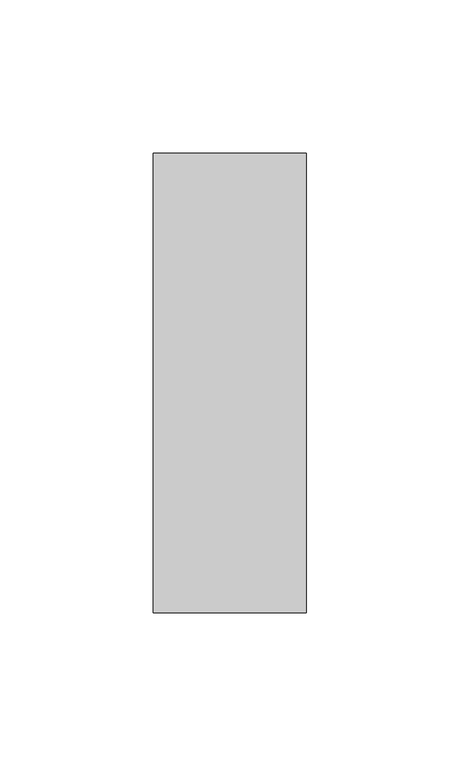
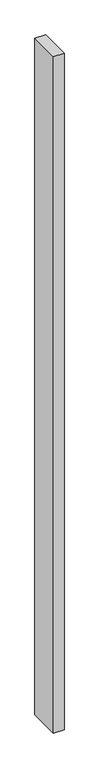
"""IFC4 building model written with IfcOpenShell, lengths in millimetres: member geometry."""

from ifc_helpers import new_model, si_unit, frame, origin, place, context, project, spatial, polyline, outline, extrude, source, transform, mapped, element, save


def member_24ac0887(model_context):
    return source(origin(), model_context, "Body", "SweptSolid", [
        extrude(outline(polyline([(0.0, 75.0), (0.0, -75.0), (-50.0, -75.0), (-50.0, 75.0), (0.0, 75.0)])), frame((0.0, 0.0, -3350.0), z_axis=(0.0, 0.0, 1.0), x_axis=(1.0, 0.0, 0.0)), (0.0, 0.0, 1.0), 3350.0),
    ])


if __name__ == "__main__":
    model = new_model("IFC4")
    model_context = context("Model", 3, world=origin())
    ifc_project = project(units=[si_unit("LENGTHUNIT", "METRE", prefix="MILLI")], contexts=[model_context])
    site = spatial("IfcSite", under=ifc_project)
    building = spatial("IfcBuilding", under=site)
    placement = place(None, origin())
    member_shape = member_24ac0887(model_context)
    element("IfcMember", 1, at=placement, inside=building, context=model_context, shape_type="MappedRepresentation", body=[
        mapped(member_shape, transform((0.0, 0.0, 0.0), x_axis=(1.0, 0.0, 0.0), y_axis=(0.0, 1.0, 0.0), z_axis=(0.0, 0.0, 1.0))),
    ])
    save(model, "model.ifc")
